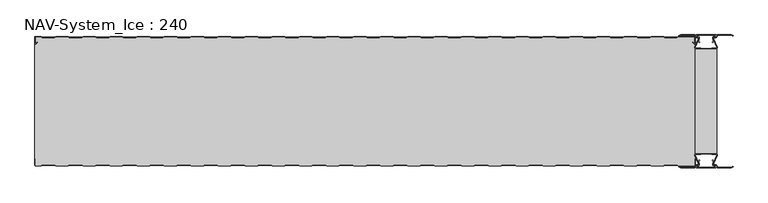
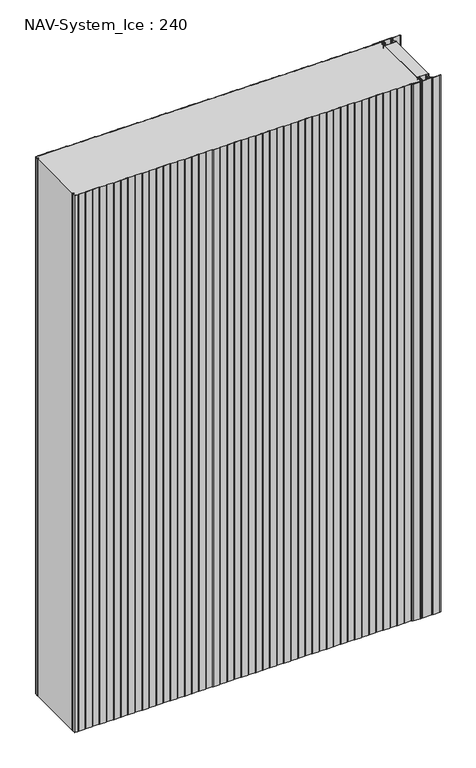
"""IFC4 building model written with IfcOpenShell, lengths in millimetres: plate geometry, NAV-System_Ice : 240."""

from ifc_helpers import new_model, si_unit, point, frame_2d, origin, origin_with_axes, place, context, project, spatial, polyline, circle_curve, trimmed, segment, composite_curve, outline, extrude, source, transform, mapped, element, save


def nav_system_ice_240_57e2421b(model_context):
    return source(origin(), model_context, "Body", "SweptSolid", [
        extrude(outline(polyline([(630.0, -216.9693935), (590.0, -216.9693935), (590.0, -23.0306065), (630.0, -23.0306065), (630.0, -216.9693935)])), origin_with_axes(), (0.0, 0.0, 1.0), 2000.0),
        extrude(outline(composite_curve([segment(trimmed(circle_curve(frame_2d((599.1138734, -231.8417863)), 3.357884), [point((596.1169606, -233.3563483))], [point((597.7243711, -228.7848813))], False, "CARTESIAN"), True, "CONTINUOUS"), segment(polyline([(597.7243711, -228.7848813), (598.0554135, -229.5131744)]), True, "CONTINUOUS"), segment(trimmed(circle_curve(frame_2d((599.1138734, -231.8417863)), 2.557884), [point((598.0554135, -229.5131744))], [point((596.8448746, -233.0226397))], True, "CARTESIAN"), True, "CONTINUOUS"), segment(polyline([(596.8448746, -233.0226397), (597.7376807, -235.2182139)]), True, "CONTINUOUS"), segment(trimmed(circle_curve(frame_2d((593.7962884, -236.3456266)), 4.0994674), [point((597.7376807, -235.2182139))], [point((593.7866434, -240.4450826))], False, "CARTESIAN"), True, "CONTINUOUS"), segment(polyline([(593.7866434, -240.4450826), (592.2194901, -240.4092333)]), True, "CONTINUOUS"), segment(trimmed(circle_curve(frame_2d((592.2592624, -241.3027113)), 0.8943628), [point((592.2194901, -240.4092333))], [point((592.2592624, -242.1970741))], True, "CARTESIAN"), True, "CONTINUOUS"), segment(polyline([(592.2592624, -242.1970741), (627.7407376, -242.1970741)]), True, "CONTINUOUS"), segment(trimmed(circle_curve(frame_2d((627.7407376, -241.3027113)), 0.8943628), [point((627.7407376, -242.1970741))], [point((627.7805099, -240.4092333))], True, "CARTESIAN"), True, "CONTINUOUS"), segment(polyline([(627.7805099, -240.4092333), (626.2133566, -240.4450826)]), True, "CONTINUOUS"), segment(trimmed(circle_curve(frame_2d((626.2037116, -236.3456266)), 4.0994674), [point((626.2133566, -240.4450826))], [point((622.2623193, -235.2182139))], False, "CARTESIAN"), True, "CONTINUOUS"), segment(polyline([(622.2623193, -235.2182139), (623.1551254, -233.0226397)]), True, "CONTINUOUS"), segment(trimmed(circle_curve(frame_2d((620.8861266, -231.8417863)), 2.557884), [point((623.1551254, -233.0226397))], [point((621.9445865, -229.5131744))], True, "CARTESIAN"), True, "CONTINUOUS"), segment(polyline([(621.9445865, -229.5131744), (622.2756289, -228.7848813)]), True, "CONTINUOUS"), segment(trimmed(circle_curve(frame_2d((620.8861266, -231.8417863)), 3.357884), [point((622.2756289, -228.7848813))], [point((623.8830394, -233.3563483))], False, "CARTESIAN"), True, "CONTINUOUS"), segment(polyline([(623.8830394, -233.3563483), (623.0205049, -235.4774793)]), True, "CONTINUOUS"), segment(trimmed(circle_curve(frame_2d((626.2037116, -236.3456266)), 3.2994674), [point((623.0205049, -235.4774793))], [point((626.2037116, -239.645094))], True, "CARTESIAN"), True, "CONTINUOUS"), segment(polyline([(626.2037116, -239.645094), (627.7848884, -239.6089239)]), True, "CONTINUOUS"), segment(trimmed(circle_curve(frame_2d((627.7407376, -241.3027113)), 1.6943628), [point((627.7848884, -239.6089239))], [point((627.7407423, -242.9970741))], False, "CARTESIAN"), True, "CONTINUOUS"), segment(polyline([(627.7407423, -242.9970741), (592.2592577, -242.9970741)]), True, "CONTINUOUS"), segment(trimmed(circle_curve(frame_2d((592.2592624, -241.3027113)), 1.6943628), [point((592.2592577, -242.9970741))], [point((592.2151116, -239.6089239))], False, "CARTESIAN"), True, "CONTINUOUS"), segment(polyline([(592.2151116, -239.6089239), (593.7962884, -239.645094)]), True, "CONTINUOUS"), segment(trimmed(circle_curve(frame_2d((593.7962884, -236.3456266)), 3.2994674), [point((593.7962884, -239.645094))], [point((596.9794951, -235.4774793))], True, "CARTESIAN"), True, "CONTINUOUS"), segment(polyline([(596.9794951, -235.4774793), (596.1169606, -233.3563483)]), True, "CONTINUOUS")], self_intersect=False)), origin_with_axes(), (0.0, 0.0, 1.0), 2000.0),
        extrude(outline(composite_curve([segment(polyline([(596.1169606, -6.6436517), (596.9794951, -4.5225207)]), True, "CONTINUOUS"), segment(trimmed(circle_curve(frame_2d((593.7962884, -3.6543734)), 3.2994674), [point((596.9794951, -4.5225207))], [point((593.7962884, -0.354906))], True, "CARTESIAN"), True, "CONTINUOUS"), segment(polyline([(593.7962884, -0.354906), (592.2151116, -0.3910761)]), True, "CONTINUOUS"), segment(trimmed(circle_curve(frame_2d((592.2592624, 1.3027113)), 1.6943628), [point((592.2151116, -0.3910761))], [point((592.2592577, 2.9970741))], False, "CARTESIAN"), True, "CONTINUOUS"), segment(polyline([(592.2592577, 2.9970741), (627.7407423, 2.9970741)]), True, "CONTINUOUS"), segment(trimmed(circle_curve(frame_2d((627.7407376, 1.3027113)), 1.6943628), [point((627.7407423, 2.9970741))], [point((627.7848884, -0.3910761))], False, "CARTESIAN"), True, "CONTINUOUS"), segment(polyline([(627.7848884, -0.3910761), (626.2037116, -0.354906)]), True, "CONTINUOUS"), segment(trimmed(circle_curve(frame_2d((626.2037116, -3.6543734)), 3.2994674), [point((626.2037116, -0.354906))], [point((623.0205049, -4.5225207))], True, "CARTESIAN"), True, "CONTINUOUS"), segment(polyline([(623.0205049, -4.5225207), (623.8830394, -6.6436517)]), True, "CONTINUOUS"), segment(trimmed(circle_curve(frame_2d((620.8861266, -8.1582137)), 3.357884), [point((623.8830394, -6.6436517))], [point((622.2756289, -11.2151187))], False, "CARTESIAN"), True, "CONTINUOUS"), segment(polyline([(622.2756289, -11.2151187), (621.9445865, -10.4868256)]), True, "CONTINUOUS"), segment(trimmed(circle_curve(frame_2d((620.8861266, -8.1582137)), 2.557884), [point((621.9445865, -10.4868256))], [point((623.1551254, -6.9773603))], True, "CARTESIAN"), True, "CONTINUOUS"), segment(polyline([(623.1551254, -6.9773603), (622.2623193, -4.7817861)]), True, "CONTINUOUS"), segment(trimmed(circle_curve(frame_2d((626.2037116, -3.6543734)), 4.0994674), [point((622.2623193, -4.7817861))], [point((626.2133566, 0.4450826))], False, "CARTESIAN"), True, "CONTINUOUS"), segment(polyline([(626.2133566, 0.4450826), (627.7805099, 0.4092333)]), True, "CONTINUOUS"), segment(trimmed(circle_curve(frame_2d((627.7407376, 1.3027113)), 0.8943628), [point((627.7805099, 0.4092333))], [point((627.7407376, 2.1970741))], True, "CARTESIAN"), True, "CONTINUOUS"), segment(polyline([(627.7407376, 2.1970741), (592.2592624, 2.1970741)]), True, "CONTINUOUS"), segment(trimmed(circle_curve(frame_2d((592.2592624, 1.3027113)), 0.8943628), [point((592.2592624, 2.1970741))], [point((592.2194901, 0.4092333))], True, "CARTESIAN"), True, "CONTINUOUS"), segment(polyline([(592.2194901, 0.4092333), (593.7866434, 0.4450826)]), True, "CONTINUOUS"), segment(trimmed(circle_curve(frame_2d((593.7962884, -3.6543734)), 4.0994674), [point((593.7866434, 0.4450826))], [point((597.7376807, -4.7817861))], False, "CARTESIAN"), True, "CONTINUOUS"), segment(polyline([(597.7376807, -4.7817861), (596.8448746, -6.9773603)]), True, "CONTINUOUS"), segment(trimmed(circle_curve(frame_2d((599.1138734, -8.1582137)), 2.557884), [point((596.8448746, -6.9773603))], [point((598.0554135, -10.4868256))], True, "CARTESIAN"), True, "CONTINUOUS"), segment(polyline([(598.0554135, -10.4868256), (597.7243711, -11.2151187)]), True, "CONTINUOUS"), segment(trimmed(circle_curve(frame_2d((599.1138734, -8.1582137)), 3.357884), [point((597.7243711, -11.2151187))], [point((596.1169606, -6.6436517))], False, "CARTESIAN"), True, "CONTINUOUS")], self_intersect=False)), origin_with_axes(), (0.0, 0.0, 1.0), 2000.0),
        extrude(outline(composite_curve([segment(trimmed(circle_curve(frame_2d((591.9446371, -219.7746821)), 1.80576), [point((591.9446371, -217.9689221))], [point((590.2170288, -220.300171))], True, "CARTESIAN"), True, "CONTINUOUS"), segment(polyline([(590.2170288, -220.300171), (596.4690067, -234.9459892)]), True, "CONTINUOUS"), segment(trimmed(circle_curve(frame_2d((593.7254406, -235.9868127)), 2.93436), [point((596.4690067, -234.9459892))], [point((593.7254406, -238.9211727))], False, "CARTESIAN"), True, "CONTINUOUS"), segment(polyline([(593.7254406, -238.9211727), (592.1347887, -238.9211727)]), True, "CONTINUOUS"), segment(trimmed(circle_curve(frame_2d((592.1347887, -240.5012127)), 1.58004), [point((592.1347887, -238.9211727))], [point((590.931072, -239.4776931))], True, "CARTESIAN"), True, "CONTINUOUS"), segment(polyline([(590.931072, -239.4776931), (589.0191946, -243.0112573), (562.9417977, -243.0112573), (560.0, -241.2043676), (560.523373, -240.3522639), (563.2243806, -242.0112573), (588.4232658, -242.0112573), (590.0952671, -238.9210361)]), True, "CONTINUOUS"), segment(trimmed(circle_curve(frame_2d((592.1347887, -240.5012127)), 2.58004), [point((590.0952671, -238.9210361))], [point((592.1347887, -237.9211727))], False, "CARTESIAN"), True, "CONTINUOUS"), segment(polyline([(592.1347887, -237.9211727), (593.7254406, -237.9211727)]), True, "CONTINUOUS"), segment(trimmed(circle_curve(frame_2d((593.7254406, -235.9868127)), 1.93436), [point((593.7254406, -237.9211727))], [point((595.5404425, -235.3178459))], True, "CARTESIAN"), True, "CONTINUOUS"), segment(polyline([(595.5404425, -235.3178459), (589.2784311, -220.6484726)]), True, "CONTINUOUS"), segment(trimmed(circle_curve(frame_2d((591.9446225, -219.7747413)), 2.8057055), [point((589.2784311, -220.6484726))], [point((591.9446225, -216.9690357))], False, "CARTESIAN"), True, "CONTINUOUS"), segment(polyline([(591.9446225, -216.9690357), (595.755568, -216.9690357)]), True, "CONTINUOUS"), segment(trimmed(circle_curve(frame_2d((595.7555679, -219.0975873)), 2.1285516), [point((595.755568, -216.9690357))], [point((597.1042828, -217.4508633))], False, "CARTESIAN"), True, "CONTINUOUS"), segment(trimmed(circle_curve(frame_2d((598.2552034, -216.0456377)), 1.8163913), [point((597.1042828, -217.4508633))], [point((599.4059468, -217.4510085))], True, "CARTESIAN"), True, "CONTINUOUS"), segment(trimmed(circle_curve(frame_2d((600.7543352, -219.0977575)), 2.128364), [point((599.4059468, -217.4510085))], [point((600.7543352, -216.9693935))], False, "CARTESIAN"), True, "CONTINUOUS"), segment(polyline([(600.7543352, -216.9693935), (619.2454674, -216.9693935)]), True, "CONTINUOUS"), segment(trimmed(circle_curve(frame_2d((619.2454674, -219.0977884)), 2.1283949), [point((619.2454674, -216.9693935))], [point((620.594293, -217.4513576))], False, "CARTESIAN"), True, "CONTINUOUS"), segment(trimmed(circle_curve(frame_2d((621.7456338, -216.0459847)), 1.8167715), [point((620.594293, -217.4513576))], [point((622.8963798, -217.4518446))], True, "CARTESIAN"), True, "CONTINUOUS"), segment(trimmed(circle_curve(frame_2d((624.244105, -219.0983528)), 2.1277576), [point((622.8963798, -217.4518446))], [point((624.244105, -216.9705952))], False, "CARTESIAN"), True, "CONTINUOUS"), segment(polyline([(624.244105, -216.9705952), (628.0535675, -216.9705952)]), True, "CONTINUOUS"), segment(trimmed(circle_curve(frame_2d((628.0535675, -219.7787791)), 2.8081839), [point((628.0535675, -216.9705952))], [point((630.7287795, -220.6326746))], False, "CARTESIAN"), True, "CONTINUOUS"), segment(polyline([(630.7287795, -220.6326746), (624.4595575, -235.3178459)]), True, "CONTINUOUS"), segment(trimmed(circle_curve(frame_2d((626.2745595, -235.9868127)), 1.93436), [point((624.4595575, -235.3178459))], [point((626.2745595, -237.9211727))], True, "CARTESIAN"), True, "CONTINUOUS"), segment(polyline([(626.2745595, -237.9211727), (627.8652113, -237.9211727)]), True, "CONTINUOUS"), segment(trimmed(circle_curve(frame_2d((627.8652113, -240.5012127)), 2.58004), [point((627.8652113, -237.9211727))], [point((629.9047329, -238.9210361))], False, "CARTESIAN"), True, "CONTINUOUS"), segment(polyline([(629.9047329, -238.9210361), (631.5767342, -242.0112573), (656.7756194, -242.0112573), (659.476627, -240.3522639), (660.0, -241.2043676), (657.0582024, -243.0112573), (630.9808054, -243.0112573), (629.068928, -239.4776931)]), True, "CONTINUOUS"), segment(trimmed(circle_curve(frame_2d((627.8652113, -240.5012127)), 1.58004), [point((629.068928, -239.4776931))], [point((627.8652113, -238.9211727))], True, "CARTESIAN"), True, "CONTINUOUS"), segment(polyline([(627.8652113, -238.9211727), (626.2745595, -238.9211727)]), True, "CONTINUOUS"), segment(trimmed(circle_curve(frame_2d((626.2745595, -235.9868127)), 2.93436), [point((626.2745595, -238.9211727))], [point((623.5309933, -234.9459892))], False, "CARTESIAN"), True, "CONTINUOUS"), segment(polyline([(623.5309933, -234.9459892), (629.7829713, -220.300171)]), True, "CONTINUOUS"), segment(trimmed(circle_curve(frame_2d((628.0553629, -219.7746822)), 1.80576), [point((629.7829713, -220.300171))], [point((628.0553629, -217.9689222))], True, "CARTESIAN"), True, "CONTINUOUS"), segment(polyline([(628.0553629, -217.9689222), (623.5184731, -217.9689222)]), True, "CONTINUOUS"), segment(trimmed(circle_curve(frame_2d((621.7449981, -216.0455076)), 2.6162449), [point((623.5184731, -217.9689222))], [point((619.7766029, -217.7689222))], False, "CARTESIAN"), True, "CONTINUOUS"), segment(polyline([(619.7766029, -217.7689222), (600.2233971, -217.7689222)]), True, "CONTINUOUS"), segment(trimmed(circle_curve(frame_2d((598.255002, -216.0455076)), 2.6162449), [point((600.2233971, -217.7689222))], [point((596.4815269, -217.9689221))], False, "CARTESIAN"), True, "CONTINUOUS"), segment(polyline([(596.4815269, -217.9689221), (591.9446371, -217.9689221)]), True, "CONTINUOUS")], self_intersect=False)), origin_with_axes(), (0.0, 0.0, 1.0), 2000.0),
        extrude(outline(composite_curve([segment(polyline([(591.9446371, -22.0310778), (596.4815269, -22.0310778)]), True, "CONTINUOUS"), segment(trimmed(circle_curve(frame_2d((598.2550019, -23.9544924)), 2.6162449), [point((596.4815269, -22.0310778))], [point((600.2233971, -22.2310778))], False, "CARTESIAN"), True, "CONTINUOUS"), segment(polyline([(600.2233971, -22.2310778), (619.7766029, -22.2310778)]), True, "CONTINUOUS"), segment(trimmed(circle_curve(frame_2d((621.7449981, -23.9544924)), 2.6162449), [point((619.7766029, -22.2310778))], [point((623.5184731, -22.0310778))], False, "CARTESIAN"), True, "CONTINUOUS"), segment(polyline([(623.5184731, -22.0310778), (628.0553629, -22.0310778)]), True, "CONTINUOUS"), segment(trimmed(circle_curve(frame_2d((628.0553629, -20.2253178)), 1.80576), [point((628.0553629, -22.0310778))], [point((629.7829712, -19.699829))], True, "CARTESIAN"), True, "CONTINUOUS"), segment(polyline([(629.7829712, -19.699829), (623.5309933, -5.0540108)]), True, "CONTINUOUS"), segment(trimmed(circle_curve(frame_2d((626.2745594, -4.0131873)), 2.93436), [point((623.5309933, -5.0540108))], [point((626.2745594, -1.0788273))], False, "CARTESIAN"), True, "CONTINUOUS"), segment(polyline([(626.2745594, -1.0788273), (627.8652113, -1.0788273)]), True, "CONTINUOUS"), segment(trimmed(circle_curve(frame_2d((627.8652113, 0.5012127)), 1.58004), [point((627.8652113, -1.0788273))], [point((629.068928, -0.5223069))], True, "CARTESIAN"), True, "CONTINUOUS"), segment(polyline([(629.068928, -0.5223069), (630.9808054, 3.0112573), (657.0582023, 3.0112573), (660.0, 1.2043676), (659.476627, 0.3522639), (656.7756194, 2.0112573), (631.5767342, 2.0112573), (629.9047329, -1.0789639)]), True, "CONTINUOUS"), segment(trimmed(circle_curve(frame_2d((627.8652113, 0.5012127)), 2.58004), [point((629.9047329, -1.0789639))], [point((627.8652113, -2.0788273))], False, "CARTESIAN"), True, "CONTINUOUS"), segment(polyline([(627.8652113, -2.0788273), (626.2745594, -2.0788273)]), True, "CONTINUOUS"), segment(trimmed(circle_curve(frame_2d((626.2745594, -4.0131873)), 1.93436), [point((626.2745594, -2.0788273))], [point((624.4595575, -4.6821541))], True, "CARTESIAN"), True, "CONTINUOUS"), segment(polyline([(624.4595575, -4.6821541), (630.7287795, -19.3673254)]), True, "CONTINUOUS"), segment(trimmed(circle_curve(frame_2d((628.0535675, -20.2212209)), 2.8081839), [point((630.7287795, -19.3673254))], [point((628.0535675, -23.0294048))], False, "CARTESIAN"), True, "CONTINUOUS"), segment(polyline([(628.0535675, -23.0294048), (624.244105, -23.0294048)]), True, "CONTINUOUS"), segment(trimmed(circle_curve(frame_2d((624.244105, -20.9016472)), 2.1277576), [point((624.244105, -23.0294048))], [point((622.8963798, -22.5481554))], False, "CARTESIAN"), True, "CONTINUOUS"), segment(trimmed(circle_curve(frame_2d((621.7456337, -23.9540153)), 1.8167716), [point((622.8963798, -22.5481554))], [point((620.5942929, -22.5486423))], True, "CARTESIAN"), True, "CONTINUOUS"), segment(trimmed(circle_curve(frame_2d((619.2454674, -20.9022116)), 2.1283949), [point((620.5942929, -22.5486423))], [point((619.2454674, -23.0306065))], False, "CARTESIAN"), True, "CONTINUOUS"), segment(polyline([(619.2454674, -23.0306065), (600.7543352, -23.0306065)]), True, "CONTINUOUS"), segment(trimmed(circle_curve(frame_2d((600.7543352, -20.9022425)), 2.128364), [point((600.7543352, -23.0306065))], [point((599.4059468, -22.5489915))], False, "CARTESIAN"), True, "CONTINUOUS"), segment(trimmed(circle_curve(frame_2d((598.2552034, -23.9543623)), 1.8163912), [point((599.4059468, -22.5489915))], [point((597.1042828, -22.5491367))], True, "CARTESIAN"), True, "CONTINUOUS"), segment(trimmed(circle_curve(frame_2d((595.7555679, -20.9024127)), 2.1285516), [point((597.1042828, -22.5491367))], [point((595.7555679, -23.0309643))], False, "CARTESIAN"), True, "CONTINUOUS"), segment(polyline([(595.7555679, -23.0309643), (591.9446225, -23.0309643)]), True, "CONTINUOUS"), segment(trimmed(circle_curve(frame_2d((591.9446225, -20.2252587)), 2.8057055), [point((591.9446225, -23.0309643))], [point((589.2784311, -19.3515274))], False, "CARTESIAN"), True, "CONTINUOUS"), segment(polyline([(589.2784311, -19.3515274), (595.5404425, -4.6821541)]), True, "CONTINUOUS"), segment(trimmed(circle_curve(frame_2d((593.7254406, -4.0131873)), 1.93436), [point((595.5404425, -4.6821541))], [point((593.7254406, -2.0788273))], True, "CARTESIAN"), True, "CONTINUOUS"), segment(polyline([(593.7254406, -2.0788273), (592.1347887, -2.0788273)]), True, "CONTINUOUS"), segment(trimmed(circle_curve(frame_2d((592.1347887, 0.5012127)), 2.58004), [point((592.1347887, -2.0788273))], [point((590.0952671, -1.0789639))], False, "CARTESIAN"), True, "CONTINUOUS"), segment(polyline([(590.0952671, -1.0789639), (588.4232658, 2.0112573), (563.2243806, 2.0112573), (560.523373, 0.3522639), (560.0, 1.2043676), (562.9417977, 3.0112573), (589.0191946, 3.0112573), (590.931072, -0.5223069)]), True, "CONTINUOUS"), segment(trimmed(circle_curve(frame_2d((592.1347887, 0.5012127)), 1.58004), [point((590.931072, -0.5223069))], [point((592.1347887, -1.0788273))], True, "CARTESIAN"), True, "CONTINUOUS"), segment(polyline([(592.1347887, -1.0788273), (593.7254406, -1.0788273)]), True, "CONTINUOUS"), segment(trimmed(circle_curve(frame_2d((593.7254406, -4.0131873)), 2.93436), [point((593.7254406, -1.0788273))], [point((596.4690067, -5.0540108))], False, "CARTESIAN"), True, "CONTINUOUS"), segment(polyline([(596.4690067, -5.0540108), (590.2170288, -19.699829)]), True, "CONTINUOUS"), segment(trimmed(circle_curve(frame_2d((591.9446371, -20.2253178)), 1.80576), [point((590.2170288, -19.699829))], [point((591.9446371, -22.0310778))], True, "CARTESIAN"), True, "CONTINUOUS")], self_intersect=False)), origin_with_axes(), (0.0, 0.0, 1.0), 2000.0),
        extrude(outline(composite_curve([segment(polyline([(559.1298221, -0.8), (556.1298221, -1.8), (533.8701779, -1.8), (530.8701779, -0.8), (509.1298221, -0.8), (506.1298221, -1.8), (483.8701779, -1.8), (480.8701779, -0.8), (459.1298221, -0.8), (456.1298221, -1.8), (433.8701779, -1.8), (430.8701779, -0.8), (409.1298221, -0.8), (406.1298221, -1.8), (383.8701779, -1.8), (380.8701779, -0.8), (359.1298221, -0.8), (356.1298221, -1.8), (333.8701779, -1.8), (330.8701779, -0.8), (309.1298221, -0.8), (306.1298221, -1.8), (283.8701779, -1.8), (280.8701779, -0.8), (259.1298221, -0.8), (256.1298221, -1.8), (233.8701779, -1.8), (230.8701779, -0.8), (209.1298221, -0.8), (206.1298221, -1.8), (183.8701779, -1.8), (180.8701779, -0.8), (159.1298221, -0.8), (156.1298221, -1.8), (133.8701779, -1.8), (130.8701779, -0.8), (109.1298221, -0.8), (106.1298221, -1.8), (83.8701779, -1.8), (80.8701779, -0.8), (59.1298221, -0.8), (56.1298221, -1.8), (33.8701779, -1.8), (30.8701779, -0.8), (9.1298221, -0.8), (6.1298221, -1.8), (-16.1298221, -1.8), (-19.1298221, -0.8), (-40.8701779, -0.8), (-43.8701779, -1.8), (-66.1298221, -1.8), (-69.1298221, -0.8), (-90.8701779, -0.8), (-93.8701779, -1.8), (-116.1298221, -1.8), (-119.1298221, -0.8), (-140.8701779, -0.8), (-143.8701779, -1.8), (-166.1298221, -1.8), (-169.1298221, -0.8), (-190.8701779, -0.8), (-193.8701779, -1.8), (-216.1298221, -1.8), (-219.1298221, -0.8), (-240.8701779, -0.8), (-243.8701779, -1.8), (-266.1298221, -1.8), (-269.1298221, -0.8), (-290.8701779, -0.8), (-293.8701779, -1.8), (-316.1298221, -1.8), (-319.1298221, -0.8), (-340.8701779, -0.8), (-343.8701779, -1.8), (-366.1298221, -1.8), (-369.1298221, -0.8), (-390.8701779, -0.8), (-393.8701779, -1.8), (-416.1298221, -1.8), (-419.1298221, -0.8), (-440.8701779, -0.8), (-443.8701779, -1.8), (-466.1298221, -1.8), (-469.1298221, -0.8), (-490.8701779, -0.8), (-493.8701779, -1.8), (-516.1298221, -1.8), (-519.1298221, -0.8), (-540.8701779, -0.8), (-543.8701779, -1.8), (-566.1298221, -1.8), (-569.1298221, -0.8), (-590.8701779, -0.8), (-593.8701779, -1.8), (-616.1298221, -1.8), (-619.1298221, -0.8), (-628.7, -0.8)]), True, "CONTINUOUS"), segment(trimmed(circle_curve(frame_2d((-628.7, -1.3)), 0.5), [point((-628.7, -0.8))], [point((-629.2, -1.3))], True, "CARTESIAN"), True, "CONTINUOUS"), segment(polyline([(-629.2, -1.3), (-629.2, -12.5857864)]), True, "CONTINUOUS"), segment(trimmed(circle_curve(frame_2d((-628.7, -12.5857864)), 0.5), [point((-629.2, -12.5857864))], [point((-628.3464466, -12.9393398))], True, "CARTESIAN"), True, "CONTINUOUS"), segment(polyline([(-628.3464466, -12.9393398), (-625.9205321, -10.5134253), (-625.3548467, -11.0791108), (-627.7807612, -13.5050253)]), True, "CONTINUOUS"), segment(trimmed(circle_curve(frame_2d((-628.7, -12.5857864)), 1.3), [point((-627.7807612, -13.5050253))], [point((-630.0, -12.5857864))], False, "CARTESIAN"), True, "CONTINUOUS"), segment(polyline([(-630.0, -12.5857864), (-630.0, -1.3)]), True, "CONTINUOUS"), segment(trimmed(circle_curve(frame_2d((-628.7, -1.3)), 1.3), [point((-630.0, -1.3))], [point((-628.7, 0.0))], False, "CARTESIAN"), True, "CONTINUOUS"), segment(polyline([(-628.7, 0.0), (-619.0, 0.0), (-616.0, -1.0), (-594.0, -1.0), (-591.0, 0.0), (-569.0, 0.0), (-566.0, -1.0), (-544.0, -1.0), (-541.0, 0.0), (-519.0, 0.0), (-516.0, -1.0), (-494.0, -1.0), (-491.0, 0.0), (-469.0, 0.0), (-466.0, -1.0), (-444.0, -1.0), (-441.0, 0.0), (-419.0, 0.0), (-416.0, -1.0), (-394.0, -1.0), (-391.0, 0.0), (-369.0, 0.0), (-366.0, -1.0), (-344.0, -1.0), (-341.0, 0.0), (-319.0, 0.0), (-316.0, -1.0), (-294.0, -1.0), (-291.0, 0.0), (-269.0, 0.0), (-266.0, -1.0), (-244.0, -1.0), (-241.0, 0.0), (-219.0, 0.0), (-216.0, -1.0), (-194.0, -1.0), (-191.0, 0.0), (-169.0, 0.0), (-166.0, -1.0), (-144.0, -1.0), (-141.0, 0.0), (-119.0, 0.0), (-116.0, -1.0), (-94.0, -1.0), (-91.0, 0.0), (-69.0, 0.0), (-66.0, -1.0), (-44.0, -1.0), (-41.0, 0.0), (-19.0, 0.0), (-16.0, -1.0), (6.0, -1.0), (9.0, 0.0), (31.0, 0.0), (34.0, -1.0), (56.0, -1.0), (59.0, 0.0), (81.0, 0.0), (84.0, -1.0), (106.0, -1.0), (109.0, 0.0), (131.0, 0.0), (134.0, -1.0), (156.0, -1.0), (159.0, 0.0), (181.0, 0.0), (184.0, -1.0), (206.0, -1.0), (209.0, 0.0), (231.0, 0.0), (234.0, -1.0), (256.0, -1.0), (259.0, 0.0), (281.0, 0.0), (284.0, -1.0), (306.0, -1.0), (309.0, 0.0), (331.0, 0.0), (334.0, -1.0), (356.0, -1.0), (359.0, 0.0), (381.0, 0.0), (384.0, -1.0), (406.0, -1.0), (409.0, 0.0), (431.0, 0.0), (434.0, -1.0), (456.0, -1.0), (459.0, 0.0), (481.0, 0.0), (484.0, -1.0), (506.0, -1.0), (509.0, 0.0), (531.0, 0.0), (534.0, -1.0), (556.0, -1.0), (559.0, 0.0), (588.7, 0.0)]), True, "CONTINUOUS"), segment(trimmed(circle_curve(frame_2d((588.7, -1.3)), 1.3), [point((588.7, 0.0))], [point((590.0, -1.3))], False, "CARTESIAN"), True, "CONTINUOUS"), segment(polyline([(590.0, -1.3), (590.0, -12.5857864)]), True, "CONTINUOUS"), segment(trimmed(circle_curve(frame_2d((588.7, -12.5857864)), 1.3), [point((590.0, -12.5857864))], [point((587.7807612, -13.5050253))], False, "CARTESIAN"), True, "CONTINUOUS"), segment(polyline([(587.7807612, -13.5050253), (585.3548467, -11.0791108), (585.9205321, -10.5134253), (588.3464466, -12.9393398)]), True, "CONTINUOUS"), segment(trimmed(circle_curve(frame_2d((588.7, -12.5857864)), 0.5), [point((588.3464466, -12.9393398))], [point((589.2, -12.5857864))], True, "CARTESIAN"), True, "CONTINUOUS"), segment(polyline([(589.2, -12.5857864), (589.2, -1.3)]), True, "CONTINUOUS"), segment(trimmed(circle_curve(frame_2d((588.7, -1.3)), 0.5), [point((589.2, -1.3))], [point((588.7, -0.8))], True, "CARTESIAN"), True, "CONTINUOUS"), segment(polyline([(588.7, -0.8), (559.1298221, -0.8)]), True, "CONTINUOUS")], self_intersect=False)), origin_with_axes(), (0.0, 0.0, 1.0), 2000.0),
        extrude(outline(composite_curve([segment(polyline([(559.1298221, -0.8), (588.7, -0.8)]), True, "CONTINUOUS"), segment(trimmed(circle_curve(frame_2d((588.7, -1.3)), 0.5), [point((588.7, -0.8))], [point((589.2, -1.3))], False, "CARTESIAN"), True, "CONTINUOUS"), segment(polyline([(589.2, -1.3), (589.2, -12.5857864)]), True, "CONTINUOUS"), segment(trimmed(circle_curve(frame_2d((588.7, -12.5857864)), 0.5), [point((589.2, -12.5857864))], [point((588.3464466, -12.9393398))], False, "CARTESIAN"), True, "CONTINUOUS"), segment(polyline([(588.3464466, -12.9393398), (585.9205321, -10.5134253), (585.3548467, -11.0791108), (587.7807612, -13.5050253)]), True, "CONTINUOUS"), segment(trimmed(circle_curve(frame_2d((588.7, -12.5857864)), 1.3), [point((587.7807612, -13.5050253))], [point((588.7, -13.8857864))], True, "CARTESIAN"), True, "CONTINUOUS"), segment(polyline([(588.7, -13.8857864), (590.0, -13.8857864), (590.0, -226.1142136), (588.7, -226.1142136)]), True, "CONTINUOUS"), segment(trimmed(circle_curve(frame_2d((588.7, -227.4142136)), 1.3), [point((588.7, -226.1142136))], [point((587.7807612, -226.4949747))], True, "CARTESIAN"), True, "CONTINUOUS"), segment(polyline([(587.7807612, -226.4949747), (585.3548467, -228.9208892), (585.9205321, -229.4865747), (588.3464466, -227.0606602)]), True, "CONTINUOUS"), segment(trimmed(circle_curve(frame_2d((588.7, -227.4142136)), 0.5), [point((588.3464466, -227.0606602))], [point((589.2, -227.4142136))], False, "CARTESIAN"), True, "CONTINUOUS"), segment(polyline([(589.2, -227.4142136), (589.2, -238.7)]), True, "CONTINUOUS"), segment(trimmed(circle_curve(frame_2d((588.7, -238.7)), 0.5), [point((589.2, -238.7))], [point((588.7, -239.2))], False, "CARTESIAN"), True, "CONTINUOUS"), segment(polyline([(588.7, -239.2), (559.1298221, -239.2), (556.1298221, -238.2), (533.8701779, -238.2), (530.8701779, -239.2), (509.1298221, -239.2), (506.1298221, -238.2), (483.8701779, -238.2), (480.8701779, -239.2), (459.1298221, -239.2), (456.1298221, -238.2), (433.8701779, -238.2), (430.8701779, -239.2), (409.1298221, -239.2), (406.1298221, -238.2), (383.8701779, -238.2), (380.8701779, -239.2), (359.1298221, -239.2), (356.1298221, -238.2), (333.8701779, -238.2), (330.8701779, -239.2), (309.1298221, -239.2), (306.1298221, -238.2), (283.8701779, -238.2), (280.8701779, -239.2), (259.1298221, -239.2), (256.1298221, -238.2), (233.8701779, -238.2), (230.8701779, -239.2), (209.1298221, -239.2), (206.1298221, -238.2), (183.8701779, -238.2), (180.8701779, -239.2), (159.1298221, -239.2), (156.1298221, -238.2), (133.8701779, -238.2), (130.8701779, -239.2), (109.1298221, -239.2), (106.1298221, -238.2), (83.8701779, -238.2), (80.8701779, -239.2), (59.1298221, -239.2), (56.1298221, -238.2), (33.8701779, -238.2), (30.8701779, -239.2), (9.1298221, -239.2), (6.1298221, -238.2), (-16.1298221, -238.2), (-19.1298221, -239.2), (-40.8701779, -239.2), (-43.8701779, -238.2), (-66.1298221, -238.2), (-69.1298221, -239.2), (-90.8701779, -239.2), (-93.8701779, -238.2), (-116.1298221, -238.2), (-119.1298221, -239.2), (-140.8701779, -239.2), (-143.8701779, -238.2), (-166.1298221, -238.2), (-169.1298221, -239.2), (-190.8701779, -239.2), (-193.8701779, -238.2), (-216.1298221, -238.2), (-219.1298221, -239.2), (-240.8701779, -239.2), (-243.8701779, -238.2), (-266.1298221, -238.2), (-269.1298221, -239.2), (-290.8701779, -239.2), (-293.8701779, -238.2), (-316.1298221, -238.2), (-319.1298221, -239.2), (-340.8701779, -239.2), (-343.8701779, -238.2), (-366.1298221, -238.2), (-369.1298221, -239.2), (-390.8701779, -239.2), (-393.8701779, -238.2), (-416.1298221, -238.2), (-419.1298221, -239.2), (-440.8701779, -239.2), (-443.8701779, -238.2), (-466.1298221, -238.2), (-469.1298221, -239.2), (-490.8701779, -239.2), (-493.8701779, -238.2), (-516.1298221, -238.2), (-519.1298221, -239.2), (-540.8701779, -239.2), (-543.8701779, -238.2), (-566.1298221, -238.2), (-569.1298221, -239.2), (-590.8701779, -239.2), (-593.8701779, -238.2), (-616.1298221, -238.2), (-619.1298221, -239.2), (-628.7, -239.2)]), True, "CONTINUOUS"), segment(trimmed(circle_curve(frame_2d((-628.7, -238.7)), 0.5), [point((-628.7, -239.2))], [point((-629.2, -238.7))], False, "CARTESIAN"), True, "CONTINUOUS"), segment(polyline([(-629.2, -238.7), (-629.2, -227.4142136)]), True, "CONTINUOUS"), segment(trimmed(circle_curve(frame_2d((-628.7, -227.4142136)), 0.5), [point((-629.2, -227.4142136))], [point((-628.3464466, -227.0606602))], False, "CARTESIAN"), True, "CONTINUOUS"), segment(polyline([(-628.3464466, -227.0606602), (-625.9205321, -229.4865747), (-625.3548467, -228.9208892), (-627.7807612, -226.4949747)]), True, "CONTINUOUS"), segment(trimmed(circle_curve(frame_2d((-628.7, -227.4142136)), 1.3), [point((-627.7807612, -226.4949747))], [point((-628.7, -226.1142136))], True, "CARTESIAN"), True, "CONTINUOUS"), segment(polyline([(-628.7, -226.1142136), (-630.0, -226.1142136), (-630.0, -13.8857864), (-628.7, -13.8857864)]), True, "CONTINUOUS"), segment(trimmed(circle_curve(frame_2d((-628.7, -12.5857864)), 1.3), [point((-628.7, -13.8857864))], [point((-627.7807612, -13.5050253))], True, "CARTESIAN"), True, "CONTINUOUS"), segment(polyline([(-627.7807612, -13.5050253), (-625.3548467, -11.0791108), (-625.9205321, -10.5134253), (-628.3464466, -12.9393398)]), True, "CONTINUOUS"), segment(trimmed(circle_curve(frame_2d((-628.7, -12.5857864)), 0.5), [point((-628.3464466, -12.9393398))], [point((-629.2, -12.5857864))], False, "CARTESIAN"), True, "CONTINUOUS"), segment(polyline([(-629.2, -12.5857864), (-629.2, -1.3)]), True, "CONTINUOUS"), segment(trimmed(circle_curve(frame_2d((-628.7, -1.3)), 0.5), [point((-629.2, -1.3))], [point((-628.7, -0.8))], False, "CARTESIAN"), True, "CONTINUOUS"), segment(polyline([(-628.7, -0.8), (-619.1298221, -0.8), (-616.1298221, -1.8), (-593.8701779, -1.8), (-590.8701779, -0.8), (-569.1298221, -0.8), (-566.1298221, -1.8), (-543.8701779, -1.8), (-540.8701779, -0.8), (-519.1298221, -0.8), (-516.1298221, -1.8), (-493.8701779, -1.8), (-490.8701779, -0.8), (-469.1298221, -0.8), (-466.1298221, -1.8), (-443.8701779, -1.8), (-440.8701779, -0.8), (-419.1298221, -0.8), (-416.1298221, -1.8), (-393.8701779, -1.8), (-390.8701779, -0.8), (-369.1298221, -0.8), (-366.1298221, -1.8), (-343.8701779, -1.8), (-340.8701779, -0.8), (-319.1298221, -0.8), (-316.1298221, -1.8), (-293.8701779, -1.8), (-290.8701779, -0.8), (-269.1298221, -0.8), (-266.1298221, -1.8), (-243.8701779, -1.8), (-240.8701779, -0.8), (-219.1298221, -0.8), (-216.1298221, -1.8), (-193.8701779, -1.8), (-190.8701779, -0.8), (-169.1298221, -0.8), (-166.1298221, -1.8), (-143.8701779, -1.8), (-140.8701779, -0.8), (-119.1298221, -0.8), (-116.1298221, -1.8), (-93.8701779, -1.8), (-90.8701779, -0.8), (-69.1298221, -0.8), (-66.1298221, -1.8), (-43.8701779, -1.8), (-40.8701779, -0.8), (-19.1298221, -0.8), (-16.1298221, -1.8), (6.1298221, -1.8), (9.1298221, -0.8), (30.8701779, -0.8), (33.8701779, -1.8), (56.1298221, -1.8), (59.1298221, -0.8), (80.8701779, -0.8), (83.8701779, -1.8), (106.1298221, -1.8), (109.1298221, -0.8), (130.8701779, -0.8), (133.8701779, -1.8), (156.1298221, -1.8), (159.1298221, -0.8), (180.8701779, -0.8), (183.8701779, -1.8), (206.1298221, -1.8), (209.1298221, -0.8), (230.8701779, -0.8), (233.8701779, -1.8), (256.1298221, -1.8), (259.1298221, -0.8), (280.8701779, -0.8), (283.8701779, -1.8), (306.1298221, -1.8), (309.1298221, -0.8), (330.8701779, -0.8), (333.8701779, -1.8), (356.1298221, -1.8), (359.1298221, -0.8), (380.8701779, -0.8), (383.8701779, -1.8), (406.1298221, -1.8), (409.1298221, -0.8), (430.8701779, -0.8), (433.8701779, -1.8), (456.1298221, -1.8), (459.1298221, -0.8), (480.8701779, -0.8), (483.8701779, -1.8), (506.1298221, -1.8), (509.1298221, -0.8), (530.8701779, -0.8), (533.8701779, -1.8), (556.1298221, -1.8), (559.1298221, -0.8)]), True, "CONTINUOUS")], self_intersect=False)), origin_with_axes(), (0.0, 0.0, 1.0), 2000.0),
        extrude(outline(composite_curve([segment(polyline([(559.1298221, -239.2), (588.7, -239.2)]), True, "CONTINUOUS"), segment(trimmed(circle_curve(frame_2d((588.7, -238.7)), 0.5), [point((588.7, -239.2))], [point((589.2, -238.7))], True, "CARTESIAN"), True, "CONTINUOUS"), segment(polyline([(589.2, -238.7), (589.2, -227.4142136)]), True, "CONTINUOUS"), segment(trimmed(circle_curve(frame_2d((588.7, -227.4142136)), 0.5), [point((589.2, -227.4142136))], [point((588.3464466, -227.0606602))], True, "CARTESIAN"), True, "CONTINUOUS"), segment(polyline([(588.3464466, -227.0606602), (585.9205321, -229.4865747), (585.3548467, -228.9208892), (587.7807612, -226.4949747)]), True, "CONTINUOUS"), segment(trimmed(circle_curve(frame_2d((588.7, -227.4142136)), 1.3), [point((587.7807612, -226.4949747))], [point((590.0, -227.4142136))], False, "CARTESIAN"), True, "CONTINUOUS"), segment(polyline([(590.0, -227.4142136), (590.0, -238.7)]), True, "CONTINUOUS"), segment(trimmed(circle_curve(frame_2d((588.7, -238.7)), 1.3), [point((590.0, -238.7))], [point((588.7, -240.0))], False, "CARTESIAN"), True, "CONTINUOUS"), segment(polyline([(588.7, -240.0), (559.0, -240.0), (556.0, -239.0), (534.0, -239.0), (531.0, -240.0), (509.0, -240.0), (506.0, -239.0), (484.0, -239.0), (481.0, -240.0), (459.0, -240.0), (456.0, -239.0), (434.0, -239.0), (431.0, -240.0), (409.0, -240.0), (406.0, -239.0), (384.0, -239.0), (381.0, -240.0), (359.0, -240.0), (356.0, -239.0), (334.0, -239.0), (331.0, -240.0), (309.0, -240.0), (306.0, -239.0), (284.0, -239.0), (281.0, -240.0), (259.0, -240.0), (256.0, -239.0), (234.0, -239.0), (231.0, -240.0), (209.0, -240.0), (206.0, -239.0), (184.0, -239.0), (181.0, -240.0), (159.0, -240.0), (156.0, -239.0), (134.0, -239.0), (131.0, -240.0), (109.0, -240.0), (106.0, -239.0), (84.0, -239.0), (81.0, -240.0), (59.0, -240.0), (56.0, -239.0), (34.0, -239.0), (31.0, -240.0), (9.0, -240.0), (6.0, -239.0), (-16.0, -239.0), (-19.0, -240.0), (-41.0, -240.0), (-44.0, -239.0), (-66.0, -239.0), (-69.0, -240.0), (-91.0, -240.0), (-94.0, -239.0), (-116.0, -239.0), (-119.0, -240.0), (-141.0, -240.0), (-144.0, -239.0), (-166.0, -239.0), (-169.0, -240.0), (-191.0, -240.0), (-194.0, -239.0), (-216.0, -239.0), (-219.0, -240.0), (-241.0, -240.0), (-244.0, -239.0), (-266.0, -239.0), (-269.0, -240.0), (-291.0, -240.0), (-294.0, -239.0), (-316.0, -239.0), (-319.0, -240.0), (-341.0, -240.0), (-344.0, -239.0), (-366.0, -239.0), (-369.0, -240.0), (-391.0, -240.0), (-394.0, -239.0), (-416.0, -239.0), (-419.0, -240.0), (-441.0, -240.0), (-444.0, -239.0), (-466.0, -239.0), (-469.0, -240.0), (-491.0, -240.0), (-494.0, -239.0), (-516.0, -239.0), (-519.0, -240.0), (-541.0, -240.0), (-544.0, -239.0), (-566.0, -239.0), (-569.0, -240.0), (-591.0, -240.0), (-594.0, -239.0), (-616.0, -239.0), (-619.0, -240.0), (-628.7, -240.0)]), True, "CONTINUOUS"), segment(trimmed(circle_curve(frame_2d((-628.7, -238.7)), 1.3), [point((-628.7, -240.0))], [point((-630.0, -238.7))], False, "CARTESIAN"), True, "CONTINUOUS"), segment(polyline([(-630.0, -238.7), (-630.0, -227.4142136)]), True, "CONTINUOUS"), segment(trimmed(circle_curve(frame_2d((-628.7, -227.4142136)), 1.3), [point((-630.0, -227.4142136))], [point((-627.7807612, -226.4949747))], False, "CARTESIAN"), True, "CONTINUOUS"), segment(polyline([(-627.7807612, -226.4949747), (-625.3548467, -228.9208892), (-625.9205321, -229.4865747), (-628.3464466, -227.0606602)]), True, "CONTINUOUS"), segment(trimmed(circle_curve(frame_2d((-628.7, -227.4142136)), 0.5), [point((-628.3464466, -227.0606602))], [point((-629.2, -227.4142136))], True, "CARTESIAN"), True, "CONTINUOUS"), segment(polyline([(-629.2, -227.4142136), (-629.2, -238.7)]), True, "CONTINUOUS"), segment(trimmed(circle_curve(frame_2d((-628.7, -238.7)), 0.5), [point((-629.2, -238.7))], [point((-628.7, -239.2))], True, "CARTESIAN"), True, "CONTINUOUS"), segment(polyline([(-628.7, -239.2), (-619.1298221, -239.2), (-616.1298221, -238.2), (-593.8701779, -238.2), (-590.8701779, -239.2), (-569.1298221, -239.2), (-566.1298221, -238.2), (-543.8701779, -238.2), (-540.8701779, -239.2), (-519.1298221, -239.2), (-516.1298221, -238.2), (-493.8701779, -238.2), (-490.8701779, -239.2), (-469.1298221, -239.2), (-466.1298221, -238.2), (-443.8701779, -238.2), (-440.8701779, -239.2), (-419.1298221, -239.2), (-416.1298221, -238.2), (-393.8701779, -238.2), (-390.8701779, -239.2), (-369.1298221, -239.2), (-366.1298221, -238.2), (-343.8701779, -238.2), (-340.8701779, -239.2), (-319.1298221, -239.2), (-316.1298221, -238.2), (-293.8701779, -238.2), (-290.8701779, -239.2), (-269.1298221, -239.2), (-266.1298221, -238.2), (-243.8701779, -238.2), (-240.8701779, -239.2), (-219.1298221, -239.2), (-216.1298221, -238.2), (-193.8701779, -238.2), (-190.8701779, -239.2), (-169.1298221, -239.2), (-166.1298221, -238.2), (-143.8701779, -238.2), (-140.8701779, -239.2), (-119.1298221, -239.2), (-116.1298221, -238.2), (-93.8701779, -238.2), (-90.8701779, -239.2), (-69.1298221, -239.2), (-66.1298221, -238.2), (-43.8701779, -238.2), (-40.8701779, -239.2), (-19.1298221, -239.2), (-16.1298221, -238.2), (6.1298221, -238.2), (9.1298221, -239.2), (30.8701779, -239.2), (33.8701779, -238.2), (56.1298221, -238.2), (59.1298221, -239.2), (80.8701779, -239.2), (83.8701779, -238.2), (106.1298221, -238.2), (109.1298221, -239.2), (130.8701779, -239.2), (133.8701779, -238.2), (156.1298221, -238.2), (159.1298221, -239.2), (180.8701779, -239.2), (183.8701779, -238.2), (206.1298221, -238.2), (209.1298221, -239.2), (230.8701779, -239.2), (233.8701779, -238.2), (256.1298221, -238.2), (259.1298221, -239.2), (280.8701779, -239.2), (283.8701779, -238.2), (306.1298221, -238.2), (309.1298221, -239.2), (330.8701779, -239.2), (333.8701779, -238.2), (356.1298221, -238.2), (359.1298221, -239.2), (380.8701779, -239.2), (383.8701779, -238.2), (406.1298221, -238.2), (409.1298221, -239.2), (430.8701779, -239.2), (433.8701779, -238.2), (456.1298221, -238.2), (459.1298221, -239.2), (480.8701779, -239.2), (483.8701779, -238.2), (506.1298221, -238.2), (509.1298221, -239.2), (530.8701779, -239.2), (533.8701779, -238.2), (556.1298221, -238.2), (559.1298221, -239.2)]), True, "CONTINUOUS")], self_intersect=False)), origin_with_axes(), (0.0, 0.0, 1.0), 2000.0),
    ])


if __name__ == "__main__":
    model = new_model("IFC4")
    model_context = context("Model", 3, world=origin())
    ifc_project = project(units=[si_unit("LENGTHUNIT", "METRE", prefix="MILLI")], contexts=[model_context])
    site = spatial("IfcSite", under=ifc_project)
    building = spatial("IfcBuilding", under=site)
    placement = place(None, origin())
    nav_system_ice_240_shape = nav_system_ice_240_57e2421b(model_context)
    element("IfcPlate", 1, ObjectType="NAV-System_Ice : 240", at=placement, inside=building, context=model_context, shape_type="MappedRepresentation", body=[
        mapped(nav_system_ice_240_shape, transform((0.0, 0.0, 0.0), x_axis=(1.0, 0.0, 0.0), y_axis=(0.0, 1.0, 0.0), z_axis=(0.0, 0.0, 1.0))),
    ])
    save(model, "model.ifc")
